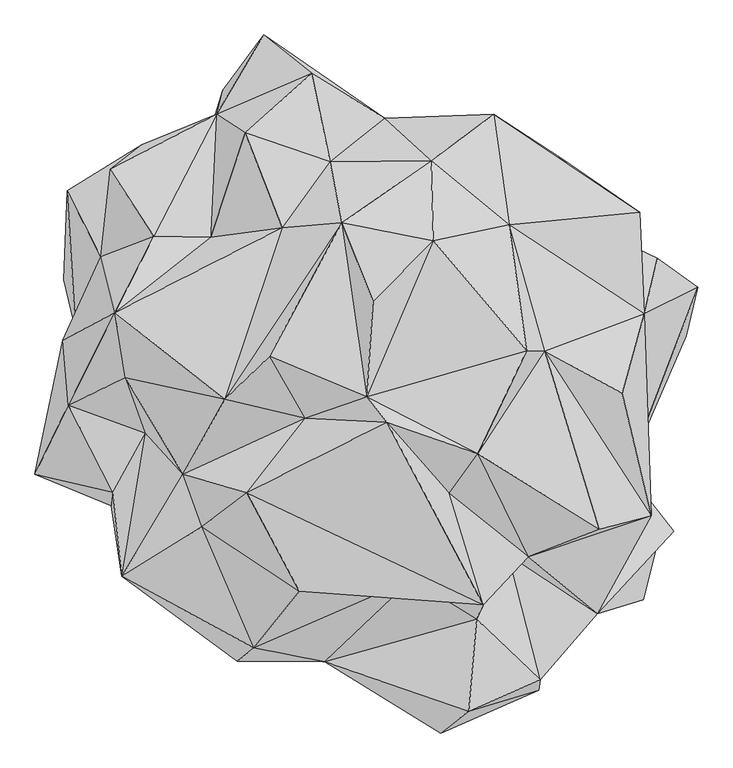
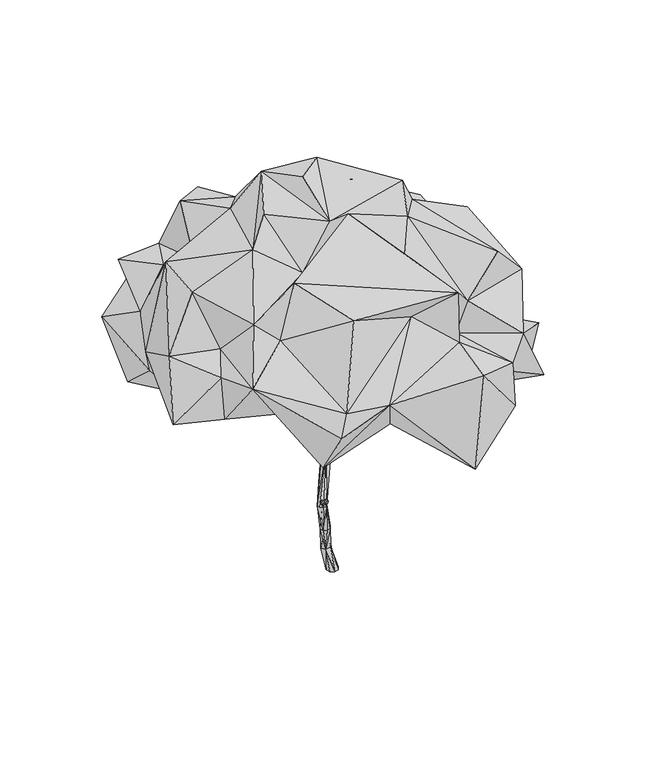
"""IFC4 building model written with IfcOpenShell, lengths in millimetres: geographic element geometry."""

from ifc_helpers import new_model, si_unit, origin, place, context, project, spatial, faceted_brep, source, transform, mapped, element, save


def geographic_element_c8e24545(model_context):
    return source(origin(), model_context, "Body", "Brep", [
        faceted_brep([(25.2606724, 84.3407035, 0.0), (20.9057526, 56.467555, 358.7815217), (82.0638585, 50.5511001, 0.0), (-0.3451562, 122.3162163, 356.1499979), (-89.2347777, 15.1190312, 741.8180108), (-6.9185968, 8.3765839, 355.1906972), (97.3685536, -13.7443572, 0.0), (-2.7243535, -87.3292738, 0.0), (62.2697504, -70.8688997, 0.0), (-81.3628365, 9.9988179, 343.8124577), (-46.919817, -50.4606414, 749.5078108), (-59.5275408, -53.5396793, 0.0), (-74.8334286, 10.7569719, 0.0), (-130.0715215, 73.5230316, 337.5210837), (-39.7334282, 67.8815133, 0.0), (-99.3062028, 126.8091985, 341.1130788), (-169.2062646, 11.0616616, 740.4683568), (-39.4311172, 138.5409285, 348.830333), (-139.5287919, 10.8914629, 1131.1459093), (-198.8659135, -37.9433764, 744.95538), (-139.1491241, -120.485697, 754.517386), (-186.4355291, -92.4375901, 750.7742509), (-80.430919, -110.8189377, 753.9949049), (-219.3658099, 9.3608736, 1139.8246989), (-250.8607045, -40.5582335, 1152.3884348), (-135.7701651, -108.0648365, 1152.7990417), (-191.7652082, -123.5682997, 1161.560052), (-104.2752528, -58.1469165, 1140.2353768), (7.4541831, 96.369987, 1364.1072576), (64.1133538, 247.0437552, 1811.6915437), (143.0160602, 248.4898359, 1800.5715297), (-239.4491227, -95.6249283, 1161.3958234), (30.1285649, 318.5041927, 1808.0613468), (21.0735726, 165.9760868, 2483.395153), (-28.480147, 166.0974847, 2474.9318824), (37.0328787, 194.5431366, 2498.2453907), (-18.0076322, 206.9830271, 2534.7686952), (172.3055384, 71.0914641, 2956.2282199), (156.3462257, 48.2814024, 2938.8575876), (-55.4642176, 206.617645, 2487.4691572), (-263.8385766, 299.2754007, 2952.3386625), (-230.6107511, 350.3608867, 2946.0067456), (-39.503721, 235.1846771, 2502.32053), (-738.6902187, 1036.3040729, 3608.3938051), (-205.2227306, 300.1585107, 2987.844672), (-704.7196579, 1085.0103725, 3595.8196409), (-689.8470028, 1051.6016651, 3653.094062), (10.0488059, 235.0632615, 2510.7840843), (-106.5354356, 165.1310544, 1367.6469336), (61.8615111, 370.0764764, 1797.6330084), (-50.7784264, 180.8511362, 1358.4824814), (117.3780965, 386.0131767, 1788.0649014), (-3.5515384, 152.3888308, 1357.0124404), (174.7478092, 300.0609313, 1790.1417724), (164.1491412, 357.0307669, 1784.9586754), (145.3214678, 104.1955151, 2979.6858805), (117.2650342, 78.3802076, 2967.9561989), (365.8595968, -568.823333, 3418.6590547)], [[[0, 1, 2]], [[1, 0, 3]], [[1, 3, 4]], [[5, 2, 1]], [[4, 5, 1]], [[2, 5, 6]], [[0, 2, 6]], [[5, 7, 8]], [[7, 5, 9]], [[6, 5, 8]], [[5, 4, 10]], [[10, 9, 5]], [[7, 6, 8]], [[0, 6, 7]], [[11, 7, 9]], [[12, 7, 11]], [[0, 7, 12]], [[9, 12, 11]], [[12, 9, 13]], [[13, 14, 12]], [[0, 12, 14]], [[14, 13, 15]], [[9, 16, 13]], [[13, 4, 15]], [[4, 13, 16]], [[17, 14, 15]], [[17, 0, 14]], [[0, 17, 3]], [[17, 15, 4]], [[17, 4, 3]], [[18, 10, 4]], [[4, 16, 18]], [[16, 9, 19]], [[19, 18, 16]], [[9, 20, 21]], [[9, 10, 22]], [[9, 22, 20]], [[9, 21, 19]], [[21, 23, 19]], [[18, 19, 23]], [[23, 21, 24]], [[25, 21, 20]], [[21, 25, 26]], [[26, 24, 21]], [[27, 20, 22]], [[20, 27, 25]], [[22, 10, 27]], [[10, 18, 27]], [[18, 28, 27]], [[27, 29, 25]], [[29, 27, 30]], [[30, 27, 28]], [[29, 26, 25]], [[29, 31, 26]], [[24, 26, 31]], [[29, 24, 31]], [[24, 29, 32]], [[33, 29, 30]], [[29, 33, 34]], [[34, 32, 29]], [[30, 35, 33]], [[36, 34, 33]], [[37, 33, 35]], [[33, 37, 38]], [[38, 36, 33]], [[32, 34, 39]], [[40, 39, 34]], [[36, 40, 34]], [[39, 40, 41]], [[39, 42, 32]], [[42, 39, 41]], [[43, 41, 40]], [[40, 36, 44]], [[44, 43, 40]], [[41, 43, 45]], [[43, 44, 46]], [[46, 45, 43]], [[36, 41, 44]], [[41, 46, 44]], [[41, 36, 42]], [[46, 41, 45]], [[36, 47, 42]], [[47, 32, 42]], [[32, 48, 24]], [[48, 32, 49]], [[32, 47, 49]], [[23, 24, 48]], [[48, 18, 23]], [[18, 48, 50]], [[50, 48, 49]], [[49, 47, 51]], [[49, 52, 50]], [[52, 49, 51]], [[52, 18, 50]], [[28, 18, 52]], [[52, 30, 28]], [[30, 52, 53]], [[52, 51, 54]], [[52, 54, 53]], [[51, 35, 54]], [[35, 51, 47]], [[54, 35, 53]], [[35, 30, 53]], [[55, 35, 47]], [[35, 55, 37]], [[56, 47, 36]], [[47, 56, 55]], [[57, 37, 55]], [[57, 55, 56]], [[57, 38, 37]], [[57, 56, 38]], [[36, 38, 56]]]),
        faceted_brep([(-139.0943753, -146.3688419, 1265.0295295), (-199.075367, -150.8891897, 1250.6187008), (-154.1062789, -159.0765349, 1239.2083959), (-183.0244161, -127.0055723, 1282.2564352), (-205.0608608, -92.9672273, 1170.3793759), (-220.436967, -74.4287629, 1191.4434845), (-157.6030887, -91.0010244, 1153.2929335), (-137.2388582, -68.6789398, 1199.39754), (-150.8606181, -128.9491627, 1282.8229706), (-152.410255, -42.8017495, 1223.0704358), (-196.3129392, -40.1928426, 1223.8905146)], [[[0, 1, 2]], [[0, 3, 1]], [[4, 2, 1]], [[3, 5, 1]], [[4, 1, 5]], [[2, 4, 6]], [[2, 7, 0]], [[7, 2, 6]], [[3, 0, 8]], [[7, 8, 0]], [[3, 9, 10]], [[9, 3, 8]], [[5, 3, 10]], [[8, 7, 9]], [[7, 5, 9]], [[6, 5, 7]], [[6, 4, 5]], [[9, 5, 10]]]),
        faceted_brep([(-313.8267282, 146.7104232, 3493.7865075), (-229.1396815, 340.3823147, 2977.2770052), (-262.1294641, 307.1926024, 2959.9251014), (-273.1030557, 175.7785299, 3506.2156681), (-272.3984512, 126.9865334, 3489.5802691), (-206.0534684, 292.6781643, 2927.752755)], [[[0, 1, 2]], [[1, 0, 3]], [[4, 1, 3]], [[1, 4, 5]], [[2, 1, 5]], [[4, 2, 5]], [[2, 4, 0]], [[3, 0, 4]]]),
        faceted_brep([(166.799695, 170.3226821, 3477.4343053), (185.2524802, 35.0535872, 2999.7701509), (201.5307441, 207.8340185, 3488.7210307), (134.0277192, 51.0843066, 2977.8016854), (149.7037642, 82.2816654, 2932.9243596), (156.4581175, 220.3858008, 3488.7210307)], [[[0, 1, 2]], [[1, 0, 3]], [[4, 2, 1]], [[1, 3, 4]], [[2, 4, 5]], [[0, 2, 5]], [[5, 3, 0]], [[3, 5, 4]]]),
        faceted_brep([(932.0728302, -469.1196562, 5822.6473054), (1974.9898176, -1115.9660794, 5268.7915821), (1505.9759345, 412.0689124, 5365.4575974), (1366.3804935, -1351.7244925, 4794.6730628), (2418.9176586, -998.8783979, 4744.700465), (1953.9899816, -1839.9693667, 4350.1832266), (687.5690138, -807.527397, 5486.5585575), (976.3052307, -1761.8615374, 5312.3823206), (1190.0973066, -1333.9750348, 4319.6342959), (151.4473895, -197.1782075, 5973.0667941), (-1048.8724909, -803.2106324, 5601.5330462), (-549.913563, -163.4397837, 5211.1074054), (-19.5620244, 18.2647138, 5774.250167), (-1597.2221933, -645.5384825, 5004.7539981), (-1435.5225056, -1094.3534544, 4959.1099411), (-598.5139121, -1646.866334, 5332.1357218), (-1238.6691019, -2.6612733, 5742.8289448), (-854.2818237, 367.4711298, 5972.8908603), (-2089.6863591, 182.8732761, 5216.1203857), (-744.5994686, 1468.9608664, 5366.8656359), (-2180.8074778, 741.1562724, 5419.2700939), (-233.9599504, 1510.1190353, 5774.0929616), (33.6205929, 839.4591821, 6000.0), (531.8833206, 2044.6565099, 5217.4892647), (-335.4870611, 2036.6166157, 5073.226894), (550.7883375, 1358.0681855, 5830.2453786), (1350.842553, 416.0357955, 5733.1644999), (1200.3521231, 1494.8071131, 5155.2171866), (133.4909435, 2407.9904625, 4064.6209845), (1069.577141, 2441.842126, 4740.9346288), (2360.3803444, 731.3776124, 4284.3499064), (2321.7442727, 1604.0325368, 4437.3754866), (2169.9529254, 50.3678106, 5232.624118), (2211.1288296, -624.6112902, 3825.3815637), (2819.8987642, 959.4556606, 3428.3686182), (1395.9223447, 125.2905096, 3319.2601054), (1762.7162355, -984.8282337, 3030.9629428), (2512.716803, -1072.5383635, 3305.4572417), (2612.0147323, -1133.3298304, 3864.1400797), (1991.3415942, -212.1651309, 3644.6588841), (2717.7836229, 545.2015857, 3056.861544), (2351.1290604, -1719.8705202, 3443.6138558), (1526.4888309, -1901.8105487, 3929.573576), (1085.8732998, -1075.3757229, 3395.0382297), (1465.2035432, -2407.6632822, 4370.2056364), (1452.3542695, -2494.2925538, 3714.1101993), (311.7676989, -1384.3108509, 3349.0993415), (855.5030035, -2674.9093893, 4530.3202167), (612.1618404, -2863.0658426, 3173.5136473), (1037.1491231, -2173.1867035, 2926.2042532), (-380.7108632, -2252.5523181, 4217.8928722), (-205.0608608, -1953.7079199, 3663.8317035), (922.6322753, -1887.1807959, 4584.7467791), (367.1652319, -1542.6326083, 4999.6780221), (-989.7305459, -2132.4048061, 4217.9206811), (-2121.4286606, -1520.8390835, 4645.7796585), (-1132.5657241, -2247.1833554, 3919.1259416), (-1919.413584, -291.9235995, 4503.2550604), (-2579.9175835, -50.6558402, 4467.041059), (-2197.5429037, -796.4979038, 4426.6721805), (-2628.6453073, 505.7168813, 4217.9885007), (-2866.0686365, -644.5648872, 3786.9133386), (-2211.180049, -912.8119019, 3814.2736097), (-978.1440944, 266.3725032, 3506.1416056), (-2326.4004194, 182.8732761, 3628.6057695), (-2301.1134722, 1222.2004144, 4343.7868953), (-2517.4227504, 592.1202056, 3809.3415022), (-2618.8940305, 1022.1943182, 3406.1501563), (-1755.2752258, 1008.6701111, 3195.4355754), (-2589.8879263, 1785.2906796, 4015.0828299), (-1948.4459364, 2179.9458275, 4217.7251675), (-1305.6604643, 2117.1917757, 3791.8775114), (48.5099169, 1820.0217288, 3660.1861834), (-1253.45379, 2649.8725804, 3520.0778384), (-1308.5216598, 2441.7635233, 4389.3798747), (-2220.9324609, 1969.3446104, 4730.7775691), (-1846.2713464, 1395.8414719, 4858.304372), (-1358.532424, 1387.8896864, 4776.0252074), (-1062.2658117, 2282.1917842, 5111.8438116), (-492.6437886, 2792.8872394, 4833.0828325), (-903.890281, 3122.7802773, 3806.2374044), (1659.1490722, 2056.7035819, 3870.823013), (1425.5842282, 1271.6923155, 3656.6774377), (1786.2974754, 1533.7658248, 3846.0231472), (-486.0346695, -1456.3377529, 3313.7244312), (-1481.284183, -1062.8121289, 3728.4079479), (-1256.0627191, -1956.1333953, 3300.083597), (2472.0193255, 1207.5837147, 3980.2175602)], [[[0, 1, 2]], [[3, 1, 0]], [[4, 2, 1]], [[3, 4, 1]], [[4, 3, 5]], [[3, 6, 7]], [[7, 8, 3]], [[8, 5, 3]], [[0, 6, 3]], [[7, 6, 9]], [[0, 9, 6]], [[10, 7, 9]], [[11, 10, 9]], [[11, 9, 12]], [[9, 0, 12]], [[13, 10, 11]], [[14, 15, 10]], [[7, 10, 15]], [[10, 13, 14]], [[16, 13, 11]], [[11, 12, 17]], [[16, 11, 17]], [[13, 16, 18]], [[16, 19, 20]], [[16, 21, 19]], [[20, 18, 16]], [[21, 16, 17]], [[12, 21, 17]], [[21, 12, 22]], [[21, 23, 24]], [[21, 25, 23]], [[25, 21, 22]], [[24, 19, 21]], [[22, 12, 25]], [[12, 26, 25]], [[25, 26, 27]], [[23, 25, 27]], [[28, 23, 29]], [[27, 29, 23]], [[23, 28, 24]], [[27, 2, 30]], [[27, 31, 29]], [[31, 27, 30]], [[2, 27, 26]], [[0, 26, 12]], [[26, 0, 2]], [[2, 4, 32]], [[2, 32, 30]], [[30, 4, 33]], [[4, 30, 32]], [[5, 33, 4]], [[30, 33, 34]], [[35, 33, 36]], [[33, 37, 36]], [[33, 5, 38]], [[33, 35, 39]], [[40, 33, 39]], [[33, 40, 34]], [[37, 33, 38]], [[37, 5, 41]], [[37, 41, 36]], [[5, 37, 38]], [[42, 36, 41]], [[5, 42, 41]], [[36, 42, 43]], [[43, 35, 36]], [[42, 44, 45]], [[42, 45, 43]], [[44, 42, 5]], [[35, 43, 46]], [[45, 46, 43]], [[47, 48, 45]], [[49, 46, 45]], [[49, 45, 48]], [[44, 47, 45]], [[48, 47, 50]], [[50, 51, 48]], [[49, 48, 51]], [[50, 47, 52]], [[47, 44, 52]], [[50, 52, 53]], [[7, 53, 52]], [[44, 8, 52]], [[8, 7, 52]], [[54, 53, 15]], [[53, 54, 50]], [[53, 7, 15]], [[14, 54, 15]], [[14, 55, 54]], [[50, 54, 56]], [[54, 55, 56]], [[55, 14, 13]], [[18, 57, 13]], [[57, 55, 13]], [[58, 57, 18]], [[55, 57, 59]], [[57, 58, 59]], [[20, 58, 18]], [[20, 60, 58]], [[61, 58, 60]], [[58, 61, 59]], [[61, 62, 59]], [[55, 59, 62]], [[61, 63, 62]], [[61, 60, 64]], [[63, 61, 64]], [[60, 20, 65]], [[60, 66, 64]], [[66, 60, 65]], [[66, 67, 64]], [[68, 64, 67]], [[68, 63, 64]], [[66, 69, 67]], [[69, 66, 65]], [[67, 69, 70]], [[71, 67, 70]], [[67, 71, 68]], [[72, 63, 68]], [[73, 68, 71]], [[68, 73, 72]], [[73, 71, 74]], [[71, 70, 74]], [[75, 74, 70]], [[70, 65, 75]], [[65, 70, 69]], [[76, 75, 65]], [[74, 75, 76]], [[65, 20, 76]], [[20, 77, 76]], [[76, 77, 74]], [[77, 20, 19]], [[78, 77, 19]], [[77, 78, 74]], [[19, 24, 78]], [[24, 79, 78]], [[79, 74, 78]], [[79, 24, 28]], [[80, 74, 79]], [[79, 28, 80]], [[29, 81, 28]], [[82, 28, 81]], [[28, 72, 73]], [[72, 28, 82]], [[28, 73, 80]], [[74, 80, 73]], [[72, 46, 63]], [[82, 46, 72]], [[46, 82, 35]], [[81, 83, 82]], [[82, 83, 35]], [[49, 51, 46]], [[84, 46, 51]], [[84, 63, 46]], [[85, 63, 84]], [[63, 85, 62]], [[84, 86, 85]], [[84, 51, 86]], [[50, 86, 51]], [[55, 86, 56]], [[86, 55, 85]], [[86, 50, 56]], [[85, 55, 62]], [[35, 40, 39]], [[83, 40, 35]], [[40, 83, 34]], [[34, 83, 87]], [[83, 81, 31]], [[30, 83, 31]], [[83, 30, 87]], [[34, 87, 30]], [[31, 81, 29]], [[8, 44, 5]]]),
    ])


if __name__ == "__main__":
    model = new_model("IFC4")
    model_context = context("Model", 3, world=origin())
    ifc_project = project(units=[si_unit("LENGTHUNIT", "METRE", prefix="MILLI")], contexts=[model_context])
    site = spatial("IfcSite", under=ifc_project)
    building = spatial("IfcBuilding", under=site)
    placement = place(None, origin())
    geographic_element_shape = geographic_element_c8e24545(model_context)
    element("IfcGeographicElement", 1, at=placement, inside=building, context=model_context, shape_type="MappedRepresentation", body=[
        mapped(geographic_element_shape, transform((0.0, 0.0, 0.0), x_axis=(1.0, 0.0, 0.0), y_axis=(0.0, 1.0, 0.0), z_axis=(0.0, 0.0, 1.0))),
    ])
    save(model, "model.ifc")
